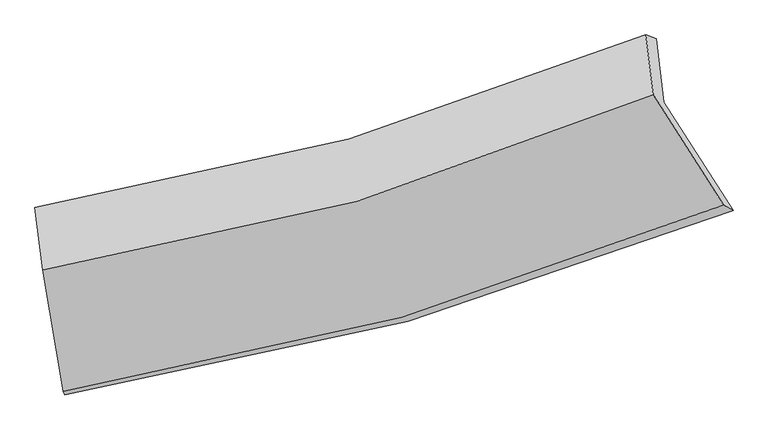
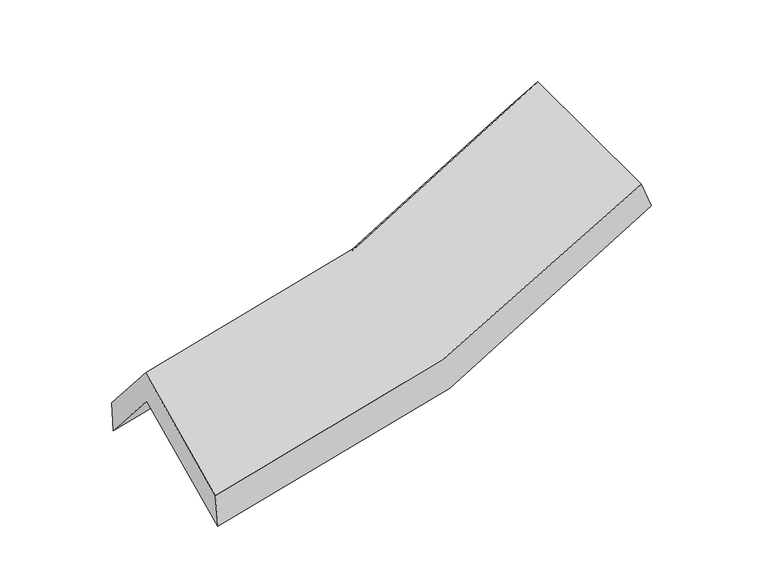
"""IFC4 building model written with IfcOpenShell, lengths in millimetres: proxy geometry."""

from ifc_helpers import new_model, si_unit, frame, origin, place, context, project, spatial, source, transform, mapped, element, save
from ifc_brep_helpers import plane_surface, spline_curve, spline_surface, advanced_brep


def generic_models_8bf8e672(model_context):
    return source(origin(), model_context, "Body", "AdvancedBrep", [
        advanced_brep(
        [(-1253.0975138, -2420.8341737, 1551.62589), (-1339.1708687, -1909.6254614, 1982.3586726), (1222.0279261, -1211.2402278, 2341.3794255), (1507.5492544, -1659.5738269, 1942.0316118), (-1371.3425214, -1651.3622178, 1669.4139706), (1189.3503177, -948.915341, 2023.5131184), (-1375.4163935, -1646.6729789, 1827.396071), (1147.182771, -933.1400399, 2169.3936004), (-1343.2447408, -1904.9362225, 2140.340773), (1177.9085685, -1179.7964429, 2468.2739731), (-1258.8481395, -2406.1863236, 1717.9988887), (1468.9238579, -1636.756814, 2061.241965)],
        [
            (0, 1),
            (1, 2, spline_curve(3, [(-1339.1708687, -1909.6254614, 1982.3586726), (-890.685851991, -1840.587853083, 1985.444714146), (-452.601878563, -1747.705429426, 2017.023449799), (401.047744404, -1514.719363126, 2136.925250399), (816.696702556, -1374.806708909, 2225.020099033), (1222.0279261, -1211.2402278, 2341.3794255)], [4, 2, 4], [0.0, 0.5010052351177331, 1.0])),
            (2, 3),
            (3, 0, spline_curve(3, [(1507.5492544, -1659.5738269, 1942.0316118), (1071.40508493, -1838.415672892, 1816.233678848), (623.764778566, -1991.199910744, 1720.80513079), (-296.3579874, -2245.16375701, 1590.42467819), (-768.933270477, -2346.132968102, 1555.717985713), (-1253.0975138, -2420.8341737, 1551.62589)], [4, 2, 4], [0.0, 0.4989947648822669, 1.0])),
            (1, 4),
            (4, 5, spline_curve(3, [(-1371.3425214, -1651.3622178, 1669.4139706), (-922.479778591, -1585.356867933, 1676.174283421), (-484.249654497, -1493.647692796, 1709.174676693), (369.229461737, -1259.292855429, 1827.417899627), (784.563617336, -1116.853071604, 1912.450555612), (1189.3503177, -948.915341, 2023.5131184)], [4, 2, 4], [0.0, 0.5010052351177331, 1.0])),
            (5, 2),
            (4, 6),
            (6, 7, spline_curve(3, [(-1375.4163935, -1646.6729789, 1827.396071), (-932.600230352, -1577.471674537, 1831.652955217), (-500.574567992, -1483.240177938, 1862.391623454), (340.205392108, -1245.195382038, 1976.602909554), (749.04611793, -1101.582565651, 2059.863417767), (1147.182771, -933.1400399, 2169.3936004)], [4, 2, 4], [0.0, 0.5010052351177331, 1.0])),
            (7, 5),
            (6, 8),
            (8, 9, spline_curve(3, [(-1343.2447408, -1904.9362225, 2140.340773), (-900.135772407, -1838.085460517, 2147.445874317), (-468.084974646, -1744.055742391, 2178.429043071), (372.210889821, -1502.124788791, 2287.931364571), (780.544528469, -1354.441247085, 2366.259262462), (1177.9085685, -1179.7964429, 2468.2739731)], [4, 2, 4], [0.0, 0.5010052351177331, 1.0])),
            (9, 7),
            (8, 10),
            (10, 11, spline_curve(3, [(-1258.8481395, -2406.1863236, 1717.9988887), (-782.235812717, -2331.829619238, 1727.854158371), (-316.179487459, -2230.348808863, 1761.490605043), (592.993295241, -1973.655051296, 1876.095442543), (1036.194302404, -1818.659358419, 1956.873354625), (1468.9238579, -1636.756814, 2061.241965)], [4, 2, 4], [0.0, 0.5010052351177331, 1.0])),
            (11, 9),
            (10, 0),
            (3, 11),
        ],
        [
            spline_surface(3, 3, [[(-1253.0975138, -2420.8341737, 1551.62589), (-768.933270474, -2346.132968101, 1555.717985708), (-296.357987392, -2245.163757003, 1590.424678196), (623.764778558, -1991.199910751, 1720.805130785), (1071.405084923, -1838.4156729, 1816.233678856), (1507.5492544, -1659.5738269, 1942.0316118)], [(-1281.788632122, -2250.431269598, 1695.2034842), (-809.517464332, -2177.617929759, 1698.960228522), (-348.439284455, -2079.344314469, 1732.624268734), (549.525767173, -1832.373061528, 1859.511837327), (986.502290823, -1683.879351553, 1952.495818905), (1412.375478321, -1510.129293849, 2075.147549692)], [(-1310.479750378, -2080.028365502, 1838.7810784), (-850.101658125, -2009.102891422, 1842.202471337), (-400.520581508, -1913.524871968, 1874.823859261), (475.286755798, -1673.54621234, 1998.218543858), (901.59949666, -1529.34303026, 2088.757958977), (1317.201702179, -1360.684760851, 2208.263487608)], [(-1339.1708687, -1909.6254614, 1982.3586726), (-890.685851984, -1840.587853079, 1985.444714152), (-452.601878571, -1747.705429434, 2017.023449799), (401.047744412, -1514.719363118, 2136.925250399), (816.696702561, -1374.806708914, 2225.020099026), (1222.0279261, -1211.2402278, 2341.3794255)]], [4, 4], [4, 2, 4], [0.0, 1.0], [0.0, 0.5010052351177331, 1.0]),
            spline_surface(3, 3, [[(-1339.1708687, -1909.6254614, 1982.3586726), (-890.685851984, -1840.587853079, 1985.444714152), (-452.601878571, -1747.705429434, 2017.023449799), (401.047744412, -1514.719363118, 2136.925250399), (816.696702561, -1374.806708914, 2225.020099026), (1222.0279261, -1211.2402278, 2341.3794255)], [(-1349.894752919, -1823.537713528, 1878.04377194), (-901.283827505, -1755.510858023, 1882.354570582), (-463.151137207, -1663.019517207, 1914.407192091), (390.441650192, -1429.577193873, 2033.756133465), (805.985674149, -1288.822163154, 2120.830251215), (1211.135389965, -1123.798598875, 2235.423989793)], [(-1360.618637181, -1737.449965672, 1773.72887126), (-911.881803071, -1670.433862983, 1779.264426992), (-473.700395859, -1578.333605025, 1811.790934407), (379.835555955, -1344.435024671, 1930.587016556), (795.274645743, -1202.837617368, 2016.640403425), (1200.242853835, -1036.356969925, 2129.468554107)], [(-1371.3425214, -1651.3622178, 1669.4139706), (-922.479778592, -1585.356867926, 1676.174283422), (-484.249654495, -1493.647692799, 1709.174676698), (369.229461735, -1259.292855426, 1827.417899621), (784.563617332, -1116.853071608, 1912.450555613), (1189.3503177, -948.915341, 2023.5131184)]], [4, 4], [4, 2, 4], [0.0, 1.0], [0.0, 0.5010052351177331, 1.0]),
            spline_surface(3, 3, [[(-1371.3425214, -1651.3622178, 1669.4139706), (-922.479778592, -1585.356867926, 1676.174283422), (-484.249654495, -1493.647692799, 1709.174676698), (369.229461735, -1259.292855426, 1827.417899621), (784.563617332, -1116.853071608, 1912.450555613), (1189.3503177, -948.915341, 2023.5131184)], [(-1372.700478774, -1649.799138181, 1722.074670726), (-925.85326252, -1582.728470145, 1728.000507348), (-489.691292315, -1490.178521181, 1760.246992282), (359.554771876, -1254.593697636, 1877.146236261), (772.724450852, -1111.762902964, 1961.588176332), (1175.294468787, -943.656907306, 2072.139945733)], [(-1374.058436126, -1648.236058519, 1774.735370874), (-929.226746425, -1580.10007232, 1779.826731298), (-495.132930178, -1486.709349551, 1811.319307876), (349.880081974, -1249.894539834, 1926.87457291), (760.885284412, -1106.6727343, 2010.72579705), (1161.238619913, -938.398473594, 2120.766773067)], [(-1375.4163935, -1646.6729789, 1827.396071), (-932.600230352, -1577.471674539, 1831.652955225), (-500.574567999, -1483.240177933, 1862.391623459), (340.205392114, -1245.195382044, 1976.602909549), (749.046117932, -1101.582565655, 2059.863417768), (1147.182771, -933.1400399, 2169.3936004)]], [4, 4], [4, 2, 4], [0.0, 1.0], [0.0, 0.5010052351177331, 1.0]),
            spline_surface(3, 3, [[(-1375.4163935, -1646.6729789, 1827.396071), (-932.600230352, -1577.471674539, 1831.652955225), (-500.574567999, -1483.240177933, 1862.391623459), (340.205392114, -1245.195382044, 1976.602909549), (749.046117932, -1101.582565655, 2059.863417768), (1147.182771, -933.1400399, 2169.3936004)], [(-1364.692509281, -1732.760726772, 1931.71097166), (-921.778744384, -1664.342936537, 1936.917261581), (-489.744703566, -1570.178699434, 1967.737430012), (350.873891326, -1330.838517641, 2080.379061241), (759.545588105, -1185.868792787, 2161.995366014), (1157.424703496, -1015.358840888, 2269.020391314)], [(-1353.968625019, -1818.848474628, 2036.02587234), (-910.957258373, -1751.214198519, 2042.181567957), (-478.914839069, -1657.117220891, 2073.083236515), (361.542390602, -1416.481653193, 2184.155212882), (770.045058291, -1270.155019954, 2264.127314219), (1167.666636004, -1097.577641912, 2368.647182186)], [(-1343.2447408, -1904.9362225, 2140.340773), (-900.135772405, -1838.085460517, 2147.445874314), (-468.084974637, -1744.055742392, 2178.429043068), (372.210889813, -1502.12478879, 2287.931364574), (780.544528463, -1354.441247087, 2366.259262466), (1177.9085685, -1179.7964429, 2468.2739731)]], [4, 4], [4, 2, 4], [0.0, 1.0], [0.0, 0.5010052351177331, 1.0]),
            spline_surface(3, 3, [[(-1343.2447408, -1904.9362225, 2140.340773), (-900.135772405, -1838.085460517, 2147.445874314), (-468.084974637, -1744.055742392, 2178.429043068), (372.210889813, -1502.12478879, 2287.931364574), (780.544528463, -1354.441247087, 2366.259262466), (1177.9085685, -1179.7964429, 2468.2739731)], [(-1315.112540368, -2072.019589509, 1999.560144921), (-860.835785843, -2002.666846731, 2007.581969021), (-417.44981224, -1906.153431198, 2039.449563705), (445.805024958, -1659.301542943, 2150.652723874), (865.76111979, -1509.180617552, 2229.797293184), (1274.913664982, -1332.116566621, 2332.596637068)], [(-1286.980339932, -2239.102956591, 1858.779516779), (-821.535799277, -2167.248233019, 1867.718063665), (-366.814649854, -2068.251120054, 1900.470084409), (519.399160093, -1816.478297146, 2013.37408324), (950.977711071, -1663.919987956, 2093.3353239), (1371.918761418, -1484.436690279, 2196.919301032)], [(-1258.8481395, -2406.1863236, 1717.9988887), (-782.235812715, -2331.829619233, 1727.854158372), (-316.179487457, -2230.34880886, 1761.490605046), (592.993295238, -1973.6550513, 1876.09544254), (1036.194302398, -1818.659358422, 1956.873354618), (1468.9238579, -1636.756814, 2061.241965)]], [4, 4], [4, 2, 4], [0.0, 1.0], [0.0, 0.5010052351177331, 1.0]),
            spline_surface(3, 3, [[(-1258.8481395, -2406.1863236, 1717.9988887), (-782.235812715, -2331.829619233, 1727.854158372), (-316.179487457, -2230.34880886, 1761.490605046), (592.993295238, -1973.6550513, 1876.09544254), (1036.194302398, -1818.659358422, 1956.873354618), (1468.9238579, -1636.756814, 2061.241965)], [(-1256.931264236, -2411.068940312, 1662.541222454), (-777.801631938, -2336.597402201, 1670.475434138), (-309.572320767, -2235.287124932, 1704.468629442), (603.250456347, -1979.503337807, 1824.332005301), (1047.93122989, -1825.244796575, 1909.993462698), (1481.79899005, -1644.36248496, 2021.5051806)], [(-1255.014389064, -2415.951556988, 1607.083556246), (-773.367451251, -2341.365185134, 1613.096709942), (-302.965154082, -2240.225440931, 1647.446653799), (613.50761745, -1985.351624243, 1772.568568023), (1059.668157431, -1831.830234747, 1863.113570777), (1494.67412225, -1651.96815594, 1981.7683962)], [(-1253.0975138, -2420.8341737, 1551.62589), (-768.933270474, -2346.132968101, 1555.717985708), (-296.357987392, -2245.163757003, 1590.424678196), (623.764778558, -1991.199910751, 1720.805130785), (1071.405084923, -1838.4156729, 1816.233678856), (1507.5492544, -1659.5738269, 1942.0316118)]], [4, 4], [4, 2, 4], [0.0, 1.0], [0.0, 0.5010052351177331, 1.0]),
            plane_surface(frame((1285.4904493, -1261.5704487, 2167.6389491), z_axis=(0.8996190071437379, 0.3776739170520471, 0.21919866414802575), x_axis=(0.42946264633982, -0.6743542947369714, -0.6006730563031778))),
            plane_surface(frame((-1323.5200296, -1989.9362296, 1814.855711), z_axis=(-0.9886575761741659, -0.1487003740420976, -0.02108069811850881), x_axis=(-0.03441107732326489, 0.08765103520777916, 0.9955567155036709))),
        ],
        [
            (0, [[1, 2, 3, 4]]),
            (1, [[5, 6, 7, -2]]),
            (2, [[8, 9, 10, -6]]),
            (3, [[11, 12, 13, -9]]),
            (4, [[14, 15, 16, -12]]),
            (5, [[17, -4, 18, -15]]),
            (6, [[-16, -18, -3, -7, -10, -13]]),
            (7, [[-17, -14, -11, -8, -5, -1]]),
        ],
    ),
    ])


if __name__ == "__main__":
    model = new_model("IFC4")
    model_context = context("Model", 3, world=origin())
    ifc_project = project(units=[si_unit("LENGTHUNIT", "METRE", prefix="MILLI")], contexts=[model_context])
    site = spatial("IfcSite", under=ifc_project)
    building = spatial("IfcBuilding", under=site)
    placement = place(None, origin())
    generic_models_shape = generic_models_8bf8e672(model_context)
    element("IfcBuildingElementProxy", 1, Name="Generic Models", at=placement, inside=building, context=model_context, shape_type="MappedRepresentation", body=[
        mapped(generic_models_shape, transform((0.0, 0.0, 0.0), x_axis=(1.0, 0.0, 0.0), y_axis=(0.0, 1.0, 0.0), z_axis=(0.0, 0.0, 1.0))),
    ])
    save(model, "model.ifc")
